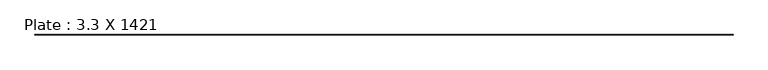
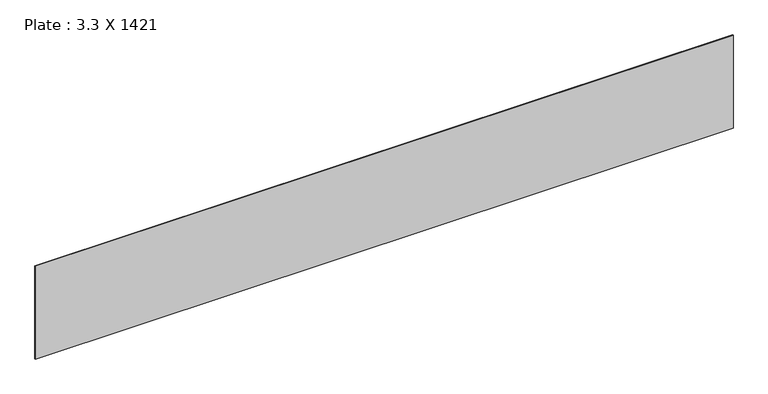
"""IFC4 building model written with IfcOpenShell, lengths in millimetres: beam geometry, Plate : 3.3 X 1421."""

from ifc_helpers import new_model, si_unit, frame, origin, place, context, project, spatial, polyline, outline, extrude, source, transform, mapped, element, save


def plate_3_3_x_1421_b0bcab6e(model_context):
    return source(origin(), model_context, "Body", "SweptSolid", [
        extrude(outline(polyline([(5024.9999994, 1.65), (5024.9999994, -1.65), (-5024.9999994, -1.65), (-5024.9999994, 1.65), (5024.9999994, 1.65)])), frame((0.0, 0.0, -710.5), z_axis=(0.0, 0.0, 1.0), x_axis=(1.0, 0.0, 0.0)), (0.0, 0.0, 1.0), 1421.0),
    ])


if __name__ == "__main__":
    model = new_model("IFC4")
    model_context = context("Model", 3, world=origin())
    ifc_project = project(units=[si_unit("LENGTHUNIT", "METRE", prefix="MILLI")], contexts=[model_context])
    site = spatial("IfcSite", under=ifc_project)
    building = spatial("IfcBuilding", under=site)
    placement = place(None, origin())
    plate_3_3_x_1421_shape = plate_3_3_x_1421_b0bcab6e(model_context)
    element("IfcBeam", 1, ObjectType="Plate : 3.3 X 1421", at=placement, inside=building, context=model_context, shape_type="MappedRepresentation", body=[
        mapped(plate_3_3_x_1421_shape, transform((0.0, 0.0, 0.0), x_axis=(1.0, 0.0, 0.0), y_axis=(0.0, 1.0, 0.0), z_axis=(0.0, 0.0, 1.0))),
    ])
    save(model, "model.ifc")
